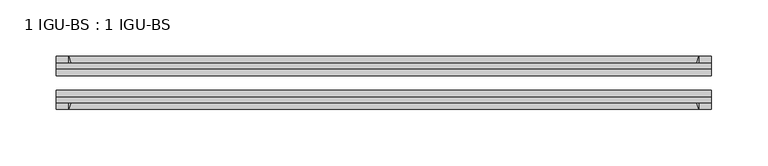
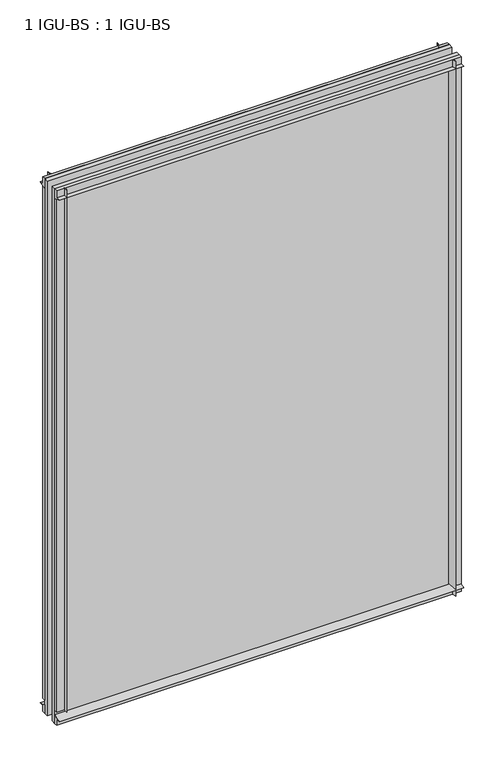
"""IFC4 building model written with IfcOpenShell, lengths in millimetres: plate geometry, 1 IGU-BS : 1 IGU-BS."""

from ifc_helpers import new_model, si_unit, point, frame, frame_2d, origin, origin_with_axes, place, context, project, spatial, polyline, circle_curve, trimmed, segment, composite_curve, outline, extrude, source, transform, mapped, element, save


def plate_1_igu_bs_1_igu_bs_1dcbec00(model_context):
    return source(origin(), model_context, "Body", "SweptSolid", [
        extrude(outline(composite_curve([segment(polyline([(-109.8637312, 800.9128), (-103.8947312, 800.9128), (-103.8947312, 812.0253), (-99.1195312, 812.0253), (-99.1195312, 797.0149095)]), True, "CONTINUOUS"), segment(trimmed(circle_curve(frame_2d((-115.4953516, 768.6330461)), 32.7673262), [point((-99.1195312, 797.0149095))], [point((-109.8637312, 800.9128))], True, "CARTESIAN"), True, "CONTINUOUS")], self_intersect=False)), frame((-290.5121031, 0.0, 0.0), z_axis=(1.0, 0.0, 0.0), x_axis=(0.0, 1.0, 0.0)), (0.0, 0.0, 1.0), 581.0242062),
        extrude(outline(composite_curve([segment(polyline([(-73.7195312, 797.0149095), (-73.7195312, 812.0253), (-68.9443312, 812.0253), (-68.9443312, 800.9128), (-62.9753315, 800.9128)]), True, "CONTINUOUS"), segment(trimmed(circle_curve(frame_2d((-57.3437109, 768.6330461)), 32.7673262), [point((-62.9753315, 800.9128))], [point((-73.7195312, 797.0149095))], True, "CARTESIAN"), True, "CONTINUOUS")], self_intersect=False)), frame((-290.5121031, 0.0, 0.0), z_axis=(1.0, 0.0, 0.0), x_axis=(0.0, 1.0, 0.0)), (0.0, 0.0, 1.0), 581.0242062),
        extrude(outline(composite_curve([segment(polyline([(-103.8947312, 0.0), (-103.8947312, 9.5265381), (-109.8637315, 9.5265381)]), True, "CONTINUOUS"), segment(trimmed(circle_curve(frame_2d((-115.5567965, 42.1919217)), 33.1577785), [point((-109.8637315, 9.5265381))], [point((-99.1195312, 13.3951409))], True, "CARTESIAN"), True, "CONTINUOUS"), segment(polyline([(-99.1195312, 13.3951409), (-99.1195312, 0.0), (-103.8947312, 0.0)]), True, "CONTINUOUS")], self_intersect=False)), frame((-290.5121031, 0.0, 0.0), z_axis=(1.0, 0.0, 0.0), x_axis=(0.0, 1.0, 0.0)), (0.0, 0.0, 1.0), 581.0242062),
        extrude(outline(composite_curve([segment(polyline([(-68.9443312, 0.0), (-73.7195312, 0.0), (-73.7195312, 13.4228906)]), True, "CONTINUOUS"), segment(trimmed(circle_curve(frame_2d((-57.3437109, 41.804754)), 32.7673262), [point((-73.7195312, 13.4228906))], [point((-62.9841404, 9.5265381))], True, "CARTESIAN"), True, "CONTINUOUS"), segment(polyline([(-62.9841404, 9.5265381), (-68.9443312, 9.5265381), (-68.9443312, 0.0)]), True, "CONTINUOUS")], self_intersect=False)), frame((-290.5121031, 0.0, 0.0), z_axis=(1.0, 0.0, 0.0), x_axis=(0.0, 1.0, 0.0)), (0.0, 0.0, 1.0), 581.0242062),
        extrude(outline(composite_curve([segment(polyline([(290.5121031, -68.9443313), (290.5121031, -73.7195313), (275.5017126, -73.7195313)]), True, "CONTINUOUS"), segment(trimmed(circle_curve(frame_2d((247.1198492, -57.3437109)), 32.7673262), [point((275.5017126, -73.7195313))], [point((279.3996031, -62.9753313))], True, "CARTESIAN"), True, "CONTINUOUS"), segment(polyline([(279.3996031, -62.9753313), (279.3996031, -68.9443313), (290.5121031, -68.9443313)]), True, "CONTINUOUS")], self_intersect=False)), origin_with_axes(), (0.0, 0.0, 1.0), 812.0253),
        extrude(outline(composite_curve([segment(polyline([(290.5121031, -99.1195313), (290.5121031, -103.8947312), (279.3996031, -103.8947312), (279.3996031, -109.8637312)]), True, "CONTINUOUS"), segment(trimmed(circle_curve(frame_2d((247.1198492, -115.4953516)), 32.7673262), [point((279.3996031, -109.8637312))], [point((275.5017126, -99.1195313))], True, "CARTESIAN"), True, "CONTINUOUS"), segment(polyline([(275.5017126, -99.1195313), (290.5121031, -99.1195313)]), True, "CONTINUOUS")], self_intersect=False)), origin_with_axes(), (0.0, 0.0, 1.0), 812.0253),
        extrude(outline(composite_curve([segment(polyline([(-290.5121031, -68.9443313), (-279.3996031, -68.9443313), (-279.3996031, -62.9753312)]), True, "CONTINUOUS"), segment(trimmed(circle_curve(frame_2d((-247.1198492, -57.3437109)), 32.7673262), [point((-279.3996031, -62.9753312))], [point((-275.5017126, -73.7195313))], True, "CARTESIAN"), True, "CONTINUOUS"), segment(polyline([(-275.5017126, -73.7195313), (-290.5121031, -73.7195313), (-290.5121031, -68.9443313)]), True, "CONTINUOUS")], self_intersect=False)), frame((0.0, 0.0, 19.8437501), z_axis=(0.0, 0.0, 1.0), x_axis=(1.0, 0.0, 0.0)), (0.0, 0.0, 1.0), 792.1815499),
        extrude(outline(composite_curve([segment(polyline([(-290.5121031, -103.8947312), (-290.5121031, -99.1195313), (-275.5017126, -99.1195313)]), True, "CONTINUOUS"), segment(trimmed(circle_curve(frame_2d((-247.1198492, -115.4953516)), 32.7673262), [point((-275.5017126, -99.1195313))], [point((-279.3996031, -109.8637313))], True, "CARTESIAN"), True, "CONTINUOUS"), segment(polyline([(-279.3996031, -109.8637313), (-279.3996031, -103.8947312), (-290.5121031, -103.8947312)]), True, "CONTINUOUS")], self_intersect=False)), frame((0.0, 0.0, 19.8437501), z_axis=(0.0, 0.0, 1.0), x_axis=(1.0, 0.0, 0.0)), (0.0, 0.0, 1.0), 792.1815499),
        extrude(outline(polyline([(-290.5121031, -99.1195313), (-290.5121031, -92.8203313), (290.5121031, -92.8203313), (290.5121031, -99.1195313), (-290.5121031, -99.1195313)])), origin_with_axes(), (0.0, 0.0, 1.0), 812.0253),
        extrude(outline(polyline([(290.5121031, -80.0187313), (-290.5121031, -80.0187313), (-290.5121031, -73.7195313), (290.5121031, -73.7195313), (290.5121031, -80.0187313)])), origin_with_axes(), (0.0, 0.0, 1.0), 812.0253),
    ])


if __name__ == "__main__":
    model = new_model("IFC4")
    model_context = context("Model", 3, world=origin())
    ifc_project = project(units=[si_unit("LENGTHUNIT", "METRE", prefix="MILLI")], contexts=[model_context])
    site = spatial("IfcSite", under=ifc_project)
    building = spatial("IfcBuilding", under=site)
    placement = place(None, origin())
    plate_1_igu_bs_1_igu_bs_shape = plate_1_igu_bs_1_igu_bs_1dcbec00(model_context)
    element("IfcPlate", 1, ObjectType="1 IGU-BS : 1 IGU-BS", at=placement, inside=building, context=model_context, shape_type="MappedRepresentation", body=[
        mapped(plate_1_igu_bs_1_igu_bs_shape, transform((0.0, 0.0, 0.0), x_axis=(1.0, 0.0, 0.0), y_axis=(0.0, 1.0, 0.0), z_axis=(0.0, 0.0, 1.0))),
    ])
    save(model, "model.ifc")
